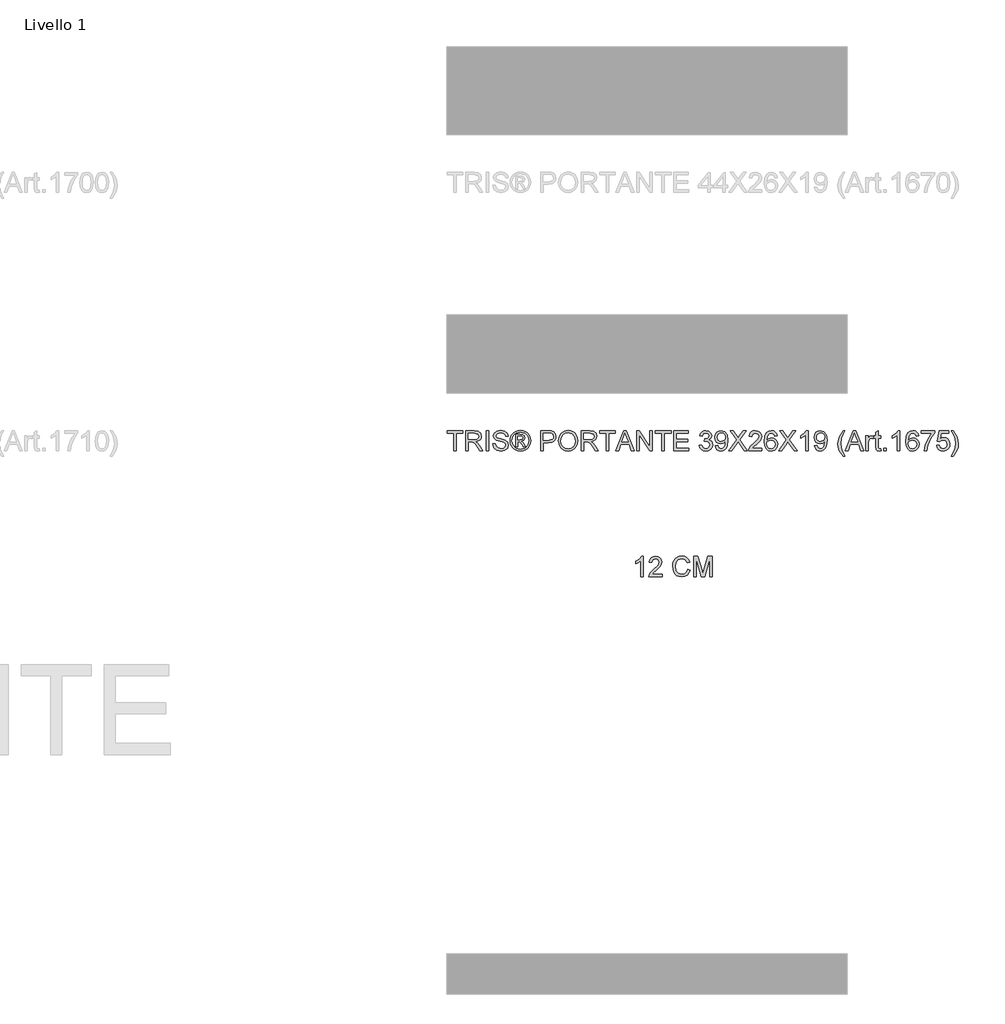
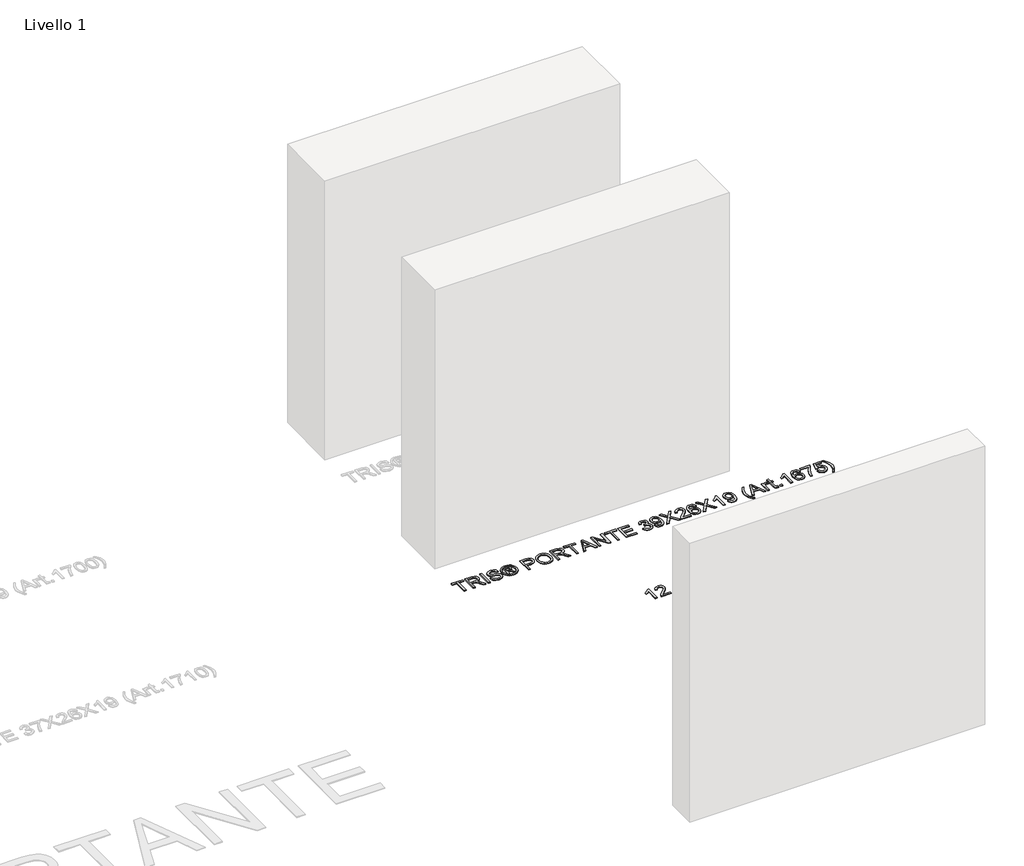
# One storey, part 10 of 19: 2 proxies.
"""IFC4 building model written with IfcOpenShell, lengths in millimetres."""

from ifc_helpers import new_model, si_unit, origin, origin_with_axes, place, context, project, spatial, polyline, outline, extrude, element, save

model = new_model("IFC4")

# Units and contexts
model_context = context("Model", 3, world=origin())
ifc_project = project(units=[si_unit("LENGTHUNIT", "METRE", prefix="MILLI")], contexts=[model_context])

# Site, building, storey
site = spatial("IfcSite", under=ifc_project)
building = spatial("IfcBuilding", under=site)
storey = spatial("IfcBuildingStorey", under=building, Name="Livello 1", Elevation=0.0)

# Proxies
placement = place(None, origin())
element("IfcBuildingElementProxy", 1, Name="100", ObjectType="100", at=placement, inside=storey, context=model_context, shape_type="SweptSolid", body=[
    extrude(outline(polyline([(3099.3895792, -56.1057849), (3099.3895792, 31.7934865), (3066.4273524, 31.7934865), (3066.4273524, 44.3505252), (3144.9088447, 44.3505252), (3144.9088447, 31.7934865), (3111.946618, 31.7934865), (3111.946618, -56.1057849), (3099.3895792, -56.1057849)])), origin_with_axes(), (0.0, 0.0, 1.0), 5.0),
    extrude(outline(polyline([(3159.0355134, -56.1057849), (3159.0355134, 44.3505252), (3202.3229615, 44.3505252), (3222.4215811, 41.6404612), (3233.40899, 32.0510039), (3237.5170057, 16.8574775), (3235.8155514, 6.9614518), (3230.7111888, -1.2423167), (3222.0506334, -7.2571873), (3209.6806014, -10.5865194), (3216.8175121, -15.9575965), (3226.9955806, -28.8825173), (3243.7464741, -56.1057849), (3229.1538216, -56.1057849), (3216.0817481, -35.283664), (3206.6394435, -21.5003519), (3200.0053049, -14.9888406), (3194.0333538, -12.5976076), (3186.7492903, -12.1561492), (3171.5925521, -12.1561492), (3171.5925521, -56.1057849), (3159.0355134, -56.1057849)]), holes=[polyline([(3171.5925521, 0.4008895), (3199.6987366, 0.4008895), (3214.0338716, 2.1789858), (3222.1763265, 7.868894), (3224.9599669, 16.3914936), (3219.6502034, 27.4524789), (3202.8625217, 31.7934865), (3171.5925521, 31.7934865), (3171.5925521, 0.4008895)])]), origin_with_axes(), (0.0, 0.0, 1.0), 5.0),
    extrude(outline(polyline([(3261.0614534, -56.1057849), (3261.0614534, 44.3505252), (3273.6184921, 44.3505252), (3273.6184921, -56.1057849), (3261.0614534, -56.1057849)])), origin_with_axes(), (0.0, 0.0, 1.0), 5.0),
    extrude(outline(polyline([(3294.0236801, -21.5739283), (3306.5807189, -21.5739283), (3310.6274208, -34.1432298), (3320.5111838, -42.0894809), (3335.5698201, -45.118376), (3348.6909446, -42.8252449), (3357.1644932, -36.5222), (3359.9481337, -28.0977024), (3357.863469, -20.2618159), (3349.3286067, -14.5596449), (3331.0448716, -9.7649163), (3311.3631848, -3.572236), (3300.6823442, 5.7719667), (3297.1629398, 18.255429), (3301.5162101, 32.4679368), (3314.2326644, 42.4988525), (3332.8474933, 45.9201551), (3352.7131211, 42.339437), (3365.9568729, 31.8180119), (3370.9355426, 16.097188), (3358.3785038, 16.097188), (3356.07311, 23.589718), (3351.2661186, 28.9975833), (3333.3380027, 33.3631163), (3315.3608358, 29.0466342), (3309.7199786, 18.623311), (3313.7176296, 9.9167705), (3334.2209195, 2.9024871), (3356.440992, -3.4005578), (3368.5933605, -13.5786263), (3372.5051724, -27.7788713), (3368.0047494, -42.8007194), (3355.0553031, -53.7636029), (3336.0603294, -57.6754148), (3313.6317905, -53.4570346), (3299.4438082, -40.752843), (3294.0236801, -21.5739283)])), origin_with_axes(), (0.0, 0.0, 1.0), 5.0),
    extrude(outline(polyline([(3408.6066589, -37.2702268), (3408.6066589, 25.5149671), (3428.8892196, 25.5149671), (3443.9478559, 23.7859217), (3451.3668095, 17.752657), (3454.1259244, 8.5923953), (3449.367984, -3.3269814), (3436.7618942, -9.0168895), (3441.6669875, -12.352353), (3450.2263753, -24.8848663), (3457.2651841, -37.2702268), (3446.6701827, -37.2702268), (3441.1519527, -27.3128874), (3431.9058519, -12.8919132), (3423.8860244, -10.5865194), (3418.024438, -10.5865194), (3418.024438, -37.2702268), (3408.6066589, -37.2702268)]), holes=[polyline([(3418.024438, -1.1687403), (3429.9438146, -1.1687403), (3441.5934111, 1.2224927), (3444.7081453, 7.5623257), (3443.2120919, 12.1240624), (3439.0550254, 15.1161693), (3429.1835251, 16.097188), (3418.024438, 16.097188), (3418.024438, -1.1687403)])]), origin_with_axes(), (0.0, 0.0, 1.0), 5.0),
    extrude(outline(polyline([(3432.175632, 45.9201551), (3445.069896, 44.246292), (3457.6575916, 39.2247028), (3468.7155112, 31.0883793), (3477.0204473, 20.0703135), (3482.2167804, 7.3477279), (3483.9488915, -5.9021553), (3482.2413059, -19.0355425), (3477.1185491, -31.653895), (3468.9147806, -42.6321069), (3457.9641599, -50.8450724), (3445.3550045, -55.9678292), (3432.175632, -57.6754148), (3419.0146537, -55.9678292), (3406.4116296, -50.8450724), (3395.4518119, -42.6321069), (3387.2204522, -31.653895), (3382.0701043, -19.0355425), (3380.3533217, -5.9021553), (3382.0946298, 7.3477279), (3387.3185541, 20.0703135), (3395.6510813, 31.0883793), (3406.718198, 39.2247028), (3419.2997622, 44.246292), (3432.175632, 45.9201551)]), holes=[polyline([(3432.175632, 36.502376), (3411.3535111, 31.0209343), (3402.3250738, 24.3592045), (3395.4977971, 15.3368985), (3389.7711007, -5.9021553), (3395.3874325, -26.9572682), (3411.1082565, -42.6413039), (3432.175632, -48.2576357), (3453.2552704, -42.6413039), (3468.9393061, -26.9572682), (3474.5311124, -5.9021553), (3468.8412042, 15.3368985), (3462.0323216, 24.3592045), (3452.9854902, 31.0209343), (3432.175632, 36.502376)])]), origin_with_axes(), (0.0, 0.0, 1.0), 5.0),
    extrude(outline(polyline([(3534.1770466, -56.1057849), (3534.1770466, 44.3505252), (3571.4067045, 44.3505252), (3586.4162899, 43.394032), (3598.6177094, 38.6974052), (3606.5271723, 28.9853206), (3609.5192792, 15.2878476), (3607.4989939, 3.4481787), (3601.438138, -6.4171901), (3590.1043069, -13.0758542), (3572.2650958, -15.2954089), (3546.7340853, -15.2954089), (3546.7340853, -56.1057849), (3534.1770466, -56.1057849)]), holes=[polyline([(3546.7340853, -2.7383702), (3573.0008598, -2.7383702), (3591.4930614, 1.8724175), (3595.5949457, 7.4213043), (3596.9622404, 14.8463892), (3593.7371416, 25.2451869), (3585.263593, 30.9350951), (3572.7065542, 31.7934865), (3546.7340853, 31.7934865), (3546.7340853, -2.7383702)])]), origin_with_axes(), (0.0, 0.0, 1.0), 5.0),
    extrude(outline(polyline([(3622.076318, -7.202005), (3625.4240441, 15.0119361), (3635.4672226, 31.8180119), (3650.8017704, 42.3946193), (3670.0236047, 45.9201551), (3683.1999115, 44.2646861), (3695.0150549, 39.2982792), (3704.8252414, 31.3704222), (3711.9866776, 20.830603), (3716.3644733, 8.1877251), (3717.8237386, -6.0493081), (3716.2878312, -20.4764137), (3711.6801092, -33.2971012), (3704.2550243, -43.8553145), (3694.2670281, -51.4949973), (3682.5530523, -56.1303104), (3669.9500283, -57.6754148), (3656.5713864, -55.9678292), (3644.6887979, -50.8450724), (3634.9031369, -42.7700626), (3627.8152771, -32.205718), (3622.076318, -7.202005)]), holes=[polyline([(3634.6333567, -7.3246324), (3637.1441513, -23.0393249), (3644.6765352, -35.0138839), (3655.9981036, -42.592253), (3669.8764519, -45.118376), (3683.9571352, -42.5677275), (3695.2970977, -34.915782), (3702.7742993, -22.5733411), (3705.2666998, -5.9512062), (3700.9992687, 14.7728128), (3688.528069, 28.4948112), (3670.0971811, 33.3631163), (3656.5897805, 31.0178686), (3645.1057309, 23.9821254), (3637.2514503, 11.4649405), (3634.6333567, -7.3246324)])]), origin_with_axes(), (0.0, 0.0, 1.0), 5.0),
    extrude(outline(polyline([(3735.0896669, -56.1057849), (3735.0896669, 44.3505252), (3778.377115, 44.3505252), (3798.4757346, 41.6404612), (3809.4631436, 32.0510039), (3813.5711592, 16.8574775), (3811.8697049, 6.9614518), (3806.7653423, -1.2423167), (3798.104787, -7.2571873), (3785.7347549, -10.5865194), (3792.8716656, -15.9575965), (3803.0497341, -28.8825173), (3819.8006276, -56.1057849), (3805.2079752, -56.1057849), (3792.1359016, -35.283664), (3782.693597, -21.5003519), (3776.0594584, -14.9888406), (3770.0875073, -12.5976076), (3762.8034438, -12.1561492), (3747.6467056, -12.1561492), (3747.6467056, -56.1057849), (3735.0896669, -56.1057849)]), holes=[polyline([(3747.6467056, 0.4008895), (3775.7528901, 0.4008895), (3790.0880251, 2.1789858), (3798.23048, 7.868894), (3801.0141204, 16.3914936), (3795.7043569, 27.4524789), (3778.9166752, 31.7934865), (3747.6467056, 31.7934865), (3747.6467056, 0.4008895)])]), origin_with_axes(), (0.0, 0.0, 1.0), 5.0),
    extrude(outline(polyline([(3860.6600546, -56.1057849), (3860.6600546, 31.7934865), (3827.6978278, 31.7934865), (3827.6978278, 44.3505252), (3906.1793201, 44.3505252), (3906.1793201, 31.7934865), (3873.2170933, 31.7934865), (3873.2170933, -56.1057849), (3860.6600546, -56.1057849)])), origin_with_axes(), (0.0, 0.0, 1.0), 5.0),
    extrude(outline(polyline([(3908.6073413, -56.1057849), (3948.7064787, 44.3505252), (3959.3995821, 44.3505252), (3999.4987195, -56.1057849), (3986.2304422, -56.1057849), (3974.7279985, -24.713188), (3933.3535368, -24.713188), (3921.8756186, -56.1057849), (3908.6073413, -56.1057849)]), holes=[polyline([(3937.9643245, -12.1561492), (3970.1417363, -12.1561492), (3961.0918392, 12.5409954), (3954.0530304, 31.7934865), (3947.7990365, 14.6992364), (3937.9643245, -12.1561492)])]), origin_with_axes(), (0.0, 0.0, 1.0), 5.0),
    extrude(outline(polyline([(4012.9141496, -56.1057849), (4012.9141496, 44.3505252), (4026.3541052, 44.3505252), (4078.8386032, -35.2346131), (4078.8386032, 44.3505252), (4091.3956419, 44.3505252), (4091.3956419, -56.1057849), (4077.9556864, -56.1057849), (4025.4711884, 23.5038788), (4025.4711884, -56.1057849), (4012.9141496, -56.1057849)])), origin_with_axes(), (0.0, 0.0, 1.0), 5.0),
    extrude(outline(polyline([(4138.4845373, -56.1057849), (4138.4845373, 31.7934865), (4105.5223105, 31.7934865), (4105.5223105, 44.3505252), (4184.0038029, 44.3505252), (4184.0038029, 31.7934865), (4151.0415761, 31.7934865), (4151.0415761, -56.1057849), (4138.4845373, -56.1057849)])), origin_with_axes(), (0.0, 0.0, 1.0), 5.0),
    extrude(outline(polyline([(4198.1304715, -56.1057849), (4198.1304715, 44.3505252), (4270.3334444, 44.3505252), (4270.3334444, 31.7934865), (4210.6875102, 31.7934865), (4210.6875102, 1.9705194), (4267.1941847, 1.9705194), (4267.1941847, -10.5865194), (4210.6875102, -10.5865194), (4210.6875102, -43.5487462), (4271.9030742, -43.5487462), (4271.9030742, -56.1057849), (4198.1304715, -56.1057849)])), origin_with_axes(), (0.0, 0.0, 1.0), 5.0),
    extrude(outline(polyline([(4325.270489, -29.4220775), (4337.8275278, -27.8524477), (4344.755972, -41.0716741), (4357.717681, -45.118376), (4366.3261197, -43.7265558), (4372.972521, -39.5510951), (4378.6379038, -25.7677831), (4373.021572, -12.7815486), (4358.7477506, -7.6434634), (4349.9431081, -9.0168895), (4351.3410597, 3.5401492), (4353.352148, 3.3929964), (4367.6014439, 6.99824), (4372.3471216, 11.5722395), (4373.9290142, 18.0837508), (4369.342752, 27.9062), (4357.5214772, 31.7934865), (4345.5530497, 27.8694118), (4339.3971576, 16.097188), (4326.8401188, 17.6668178), (4330.5373329, 28.942401), (4337.1162892, 37.3607673), (4346.1171354, 42.6030857), (4357.0800188, 44.3505252), (4372.2244943, 40.9046972), (4382.8194958, 31.4869181), (4386.486053, 18.8195148), (4383.0034368, 7.2434946), (4372.7027409, -1.0706384), (4386.3879511, -9.6545517), (4391.1949425, -25.9885123), (4388.7914468, -38.22672), (4381.5809597, -48.4538394), (4370.697784, -55.3700209), (4357.2762226, -57.6754148), (4345.1361167, -55.7072461), (4335.2523538, -49.8027401), (4328.3790919, -40.7712371), (4325.270489, -29.4220775)])), origin_with_axes(), (0.0, 0.0, 1.0), 5.0),
    extrude(outline(polyline([(4403.7519813, -30.9917074), (4416.3090201, -29.4220775), (4421.9498773, -41.4027679), (4432.6429807, -45.118376), (4442.8087865, -42.727143), (4449.7004425, -36.3382591), (4453.8084581, -25.4244265), (4455.6233426, -10.8562995), (4455.5497662, -8.4037529), (4445.5065878, -17.9196338), (4431.7355384, -21.5739283), (4420.2852113, -19.3421109), (4410.7540019, -12.6466586), (4404.3252641, -2.3030431), (4402.1823515, 10.8732637), (4404.4294973, 24.4848975), (4411.1709349, 35.1534753), (4421.2968868, 42.0512628), (4433.6975757, 44.3505252), (4451.5889034, 39.1020754), (4463.9006875, 24.141541), (4468.106805, -3.9646435), (4463.9129502, -34.4620609), (4458.698223, -44.4531227), (4451.4417506, -51.7402519), (4442.4562329, -56.1916241), (4432.0543695, -57.6754148), (4421.3183466, -55.9249096), (4412.7528275, -50.6733941), (4406.7624823, -42.2519621), (4403.7519813, -30.9917074)]), holes=[polyline([(4455.5497662, 11.1675693), (4454.1947342, 19.6779061), (4450.1296382, 26.2262056), (4443.8204619, 30.4016662), (4435.7331894, 31.7934865), (4427.3454799, 30.2943673), (4420.6255021, 25.7970099), (4416.2109182, 18.9145509), (4414.7393902, 10.260127), (4416.1312104, 2.5008826), (4420.3066711, -3.6580751), (4426.861102, -7.6771859), (4435.3898329, -9.0168895), (4449.8721208, -3.6580751), (4454.1303549, 2.7277432), (4455.5497662, 11.1675693)])]), origin_with_axes(), (0.0, 0.0, 1.0), 5.0),
    extrude(outline(polyline([(4472.8156945, -56.1057849), (4511.5414059, -1.364944), (4479.0942139, 44.3505252), (4494.1528503, 44.3505252), (4512.4243227, 18.623311), (4518.5802147, 8.5923953), (4525.7907018, 18.7949893), (4543.8659705, 44.3505252), (4559.1453361, 44.3505252), (4526.6981441, -1.5120968), (4565.4238555, -56.1057849), (4550.3652191, -56.1057849), (4524.5644285, -19.7099929), (4519.1933514, -12.1561492), (4513.282714, -20.4457569), (4488.0950601, -56.1057849), (4472.8156945, -56.1057849)])), origin_with_axes(), (0.0, 0.0, 1.0), 5.0),
    extrude(outline(polyline([(4637.6268284, -43.5487462), (4637.6268284, -56.1057849), (4571.7023748, -56.1057849), (4573.0512755, -47.4482953), (4580.6786955, -34.1187043), (4596.3995194, -19.5628401), (4618.0800317, 1.3573827), (4623.5001598, 15.5821532), (4618.3866, 27.0968597), (4605.0324836, 31.7934865), (4591.1142814, 27.2072242), (4585.8290435, 14.5275581), (4573.2720047, 16.097188), (4576.3162282, 28.2434252), (4582.8982502, 37.1155127), (4592.6747142, 42.5417721), (4605.3022637, 44.3505252), (4618.0217837, 42.339437), (4627.7798536, 36.3061723), (4633.9878623, 27.2930634), (4636.0571985, 16.3424427), (4633.8253811, 4.4353287), (4626.4064275, -7.8764554), (4608.416998, -25.08107), (4593.9714983, -37.1598622), (4588.3061156, -43.5487462), (4637.6268284, -43.5487462)])), origin_with_axes(), (0.0, 0.0, 1.0), 5.0),
    extrude(outline(polyline([(4714.5386908, 17.6668178), (4701.9816521, 16.097188), (4697.2237116, 26.5695621), (4684.6421474, 31.7934865), (4673.3113819, 28.7523286), (4664.7397314, 17.335724), (4661.1712761, -5.043764), (4672.2445241, 4.974889), (4685.9665225, 8.2490388), (4697.5670681, 6.01109), (4707.3036783, -0.7027565), (4713.9071601, -10.9605328), (4716.1083207, -23.8302712), (4711.9635169, -41.1575132), (4700.559175, -53.4202464), (4684.1025871, -57.6754148), (4669.8563568, -54.8549861), (4658.510263, -46.3937003), (4651.0882437, -31.4576912), (4648.6142373, -9.2130933), (4651.3610895, 15.796751), (4659.6016462, 32.8971324), (4670.8527039, 41.487177), (4685.4269623, 44.3505252), (4696.445028, 42.5785603), (4705.2680646, 37.2626655), (4711.4484821, 28.8197737), (4714.5386908, 17.6668178)]), holes=[polyline([(4661.1712761, -23.6340675), (4664.0775438, -34.5111118), (4671.8030657, -42.408312), (4683.1215684, -45.118376), (4691.4081104, -43.7142931), (4697.9226874, -39.5020442), (4702.1441333, -32.8801683), (4703.5512819, -24.2472041), (4702.1625274, -15.9606622), (4697.9962638, -9.6422889), (4691.3713222, -5.6415722), (4682.6065336, -4.308), (4667.4130072, -9.6422889), (4662.7317089, -15.807378), (4661.1712761, -23.6340675)])]), origin_with_axes(), (0.0, 0.0, 1.0), 5.0),
    extrude(outline(polyline([(4720.8172102, -56.1057849), (4759.5429216, -1.364944), (4727.0957296, 44.3505252), (4742.1543659, 44.3505252), (4760.4258384, 18.623311), (4766.5817304, 8.5923953), (4773.7922175, 18.7949893), (4791.8674862, 44.3505252), (4807.1468517, 44.3505252), (4774.6996598, -1.5120968), (4813.4253711, -56.1057849), (4798.3667348, -56.1057849), (4772.5659442, -19.7099929), (4767.1948671, -12.1561492), (4761.2842297, -20.4457569), (4736.0965757, -56.1057849), (4720.8172102, -56.1057849)])), origin_with_axes(), (0.0, 0.0, 1.0), 5.0),
    extrude(outline(polyline([(4868.3624157, -56.1057849), (4855.805377, -56.1057849), (4855.805377, 22.1795036), (4843.9105258, 13.705955), (4830.6912994, 7.366122), (4830.6912994, 19.2364477), (4849.0976619, 30.9841461), (4860.2690119, 44.3505252), (4868.3624157, 44.3505252), (4868.3624157, -56.1057849)])), origin_with_axes(), (0.0, 0.0, 1.0), 5.0),
    extrude(outline(polyline([(4899.7550127, -30.9917074), (4912.3120514, -29.4220775), (4917.9529087, -41.4027679), (4928.646012, -45.118376), (4938.8118178, -42.727143), (4945.7034739, -36.3382591), (4949.8114895, -25.4244265), (4951.626374, -10.8562995), (4951.5527976, -8.4037529), (4941.5096191, -17.9196338), (4927.7385698, -21.5739283), (4916.2882427, -19.3421109), (4906.7570333, -12.6466586), (4900.3282954, -2.3030431), (4898.1853828, 10.8732637), (4900.4325287, 24.4848975), (4907.1739662, 35.1534753), (4917.2999182, 42.0512628), (4929.7006071, 44.3505252), (4947.5919348, 39.1020754), (4959.9037189, 24.141541), (4964.1098364, -3.9646435), (4959.9159816, -34.4620609), (4954.7012543, -44.4531227), (4947.444782, -51.7402519), (4938.4592642, -56.1916241), (4928.0574008, -57.6754148), (4917.3213779, -55.9249096), (4908.7558588, -50.6733941), (4902.7655137, -42.2519621), (4899.7550127, -30.9917074)]), holes=[polyline([(4951.5527976, 11.1675693), (4950.1977656, 19.6779061), (4946.1326695, 26.2262056), (4939.8234933, 30.4016662), (4931.7362208, 31.7934865), (4923.3485113, 30.2943673), (4916.6285335, 25.7970099), (4912.2139496, 18.9145509), (4910.7424216, 10.260127), (4912.1342418, 2.5008826), (4916.3097025, -3.6580751), (4922.8641333, -7.6771859), (4931.3928643, -9.0168895), (4945.8751521, -3.6580751), (4950.1333862, 2.7277432), (4951.5527976, 11.1675693)])]), origin_with_axes(), (0.0, 0.0, 1.0), 5.0),
    extrude(outline(polyline([(5042.5913287, -84.3591222), (5024.7613146, -54.9040371), (5019.298267, -37.7239479), (5017.4772511, -19.9307221), (5022.9219047, 10.6034835), (5042.5913287, 44.3505252), (5052.0091077, 44.3505252), (5040.2614094, 24.460372), (5033.1980751, 5.1833555), (5030.0342899, -20.0042985), (5035.5279944, -52.193973), (5052.0091077, -84.3591222), (5042.5913287, -84.3591222)])), origin_with_axes(), (0.0, 0.0, 1.0), 5.0),
    extrude(outline(polyline([(5054.4371289, -56.1057849), (5094.5362664, 44.3505252), (5105.2293697, 44.3505252), (5145.3285072, -56.1057849), (5132.0602299, -56.1057849), (5120.5577862, -24.713188), (5079.1833244, -24.713188), (5067.7054062, -56.1057849), (5054.4371289, -56.1057849)]), holes=[polyline([(5083.7941121, -12.1561492), (5115.971524, -12.1561492), (5106.9216269, 12.5409954), (5099.882818, 31.7934865), (5093.6288241, 14.6992364), (5083.7941121, -12.1561492)])]), origin_with_axes(), (0.0, 0.0, 1.0), 5.0),
    extrude(outline(polyline([(5157.1743074, -56.1057849), (5157.1743074, 17.6668178), (5168.1617163, 17.6668178), (5168.1617163, 6.7529853), (5175.9608146, 16.8084265), (5183.8089639, 19.2364477), (5196.4150536, 15.361424), (5192.2211988, 4.104235), (5183.3920309, 6.6794089), (5176.2919084, 4.2023368), (5171.7669599, -2.6647938), (5169.7313462, -17.3310226), (5169.7313462, -56.1057849), (5157.1743074, -56.1057849)])), origin_with_axes(), (0.0, 0.0, 1.0), 5.0),
    extrude(outline(polyline([(5230.9469102, -45.6334108), (5232.51654, -56.4736669), (5223.1232864, -57.6754148), (5212.6018614, -55.5907501), (5207.3534116, -50.1215711), (5205.8328327, -35.8722752), (5205.8328327, 5.1097791), (5196.4150536, 5.1097791), (5196.4150536, 17.6668178), (5205.8328327, 17.6668178), (5205.8328327, 35.5949337), (5218.3898714, 42.9770991), (5218.3898714, 17.6668178), (5230.9469102, 17.6668178), (5230.9469102, 5.1097791), (5218.3898714, 5.1097791), (5218.3898714, -35.5043932), (5219.052059, -41.9791163), (5221.1980373, -44.2722474), (5225.4777312, -45.118376), (5230.9469102, -45.6334108)])), origin_with_axes(), (0.0, 0.0, 1.0), 5.0),
    extrude(outline(polyline([(5246.6432087, -56.1057849), (5246.6432087, -43.5487462), (5259.2002474, -43.5487462), (5259.2002474, -56.1057849), (5246.6432087, -56.1057849)])), origin_with_axes(), (0.0, 0.0, 1.0), 5.0),
    extrude(outline(polyline([(5326.6943308, -56.1057849), (5314.137292, -56.1057849), (5314.137292, 22.1795036), (5302.2424409, 13.705955), (5289.0232145, 7.366122), (5289.0232145, 19.2364477), (5307.429577, 30.9841461), (5318.6009269, 44.3505252), (5326.6943308, 44.3505252), (5326.6943308, -56.1057849)])), origin_with_axes(), (0.0, 0.0, 1.0), 5.0),
    extrude(outline(polyline([(5420.8721216, 17.6668178), (5408.3150828, 16.097188), (5403.5571423, 26.5695621), (5390.9755781, 31.7934865), (5379.6448126, 28.7523286), (5371.0731622, 17.335724), (5367.5047068, -5.043764), (5378.5779549, 4.974889), (5392.2999533, 8.2490388), (5403.9004989, 6.01109), (5413.637109, -0.7027565), (5420.2405908, -10.9605328), (5422.4417514, -23.8302712), (5418.2969476, -41.1575132), (5406.8926058, -53.4202464), (5390.4360178, -57.6754148), (5376.1897876, -54.8549861), (5364.8436937, -46.3937003), (5357.4216745, -31.4576912), (5354.947668, -9.2130933), (5357.6945203, 15.796751), (5365.935077, 32.8971324), (5377.1861346, 41.487177), (5391.760393, 44.3505252), (5402.7784588, 42.5785603), (5411.6014953, 37.2626655), (5417.7819128, 28.8197737), (5420.8721216, 17.6668178)]), holes=[polyline([(5367.5047068, -23.6340675), (5370.4109746, -34.5111118), (5378.1364965, -42.408312), (5389.4549992, -45.118376), (5397.7415411, -43.7142931), (5404.2561181, -39.5020442), (5408.477564, -32.8801683), (5409.8847126, -24.2472041), (5408.4959581, -15.9606622), (5404.3296945, -9.6422889), (5397.7047529, -5.6415722), (5388.9399644, -4.308), (5373.746438, -9.6422889), (5369.0651396, -15.807378), (5367.5047068, -23.6340675)])]), origin_with_axes(), (0.0, 0.0, 1.0), 5.0),
    extrude(outline(polyline([(5433.4291603, 30.2238566), (5433.4291603, 42.7808954), (5499.3536139, 42.7808954), (5499.3536139, 32.6273523), (5480.6529458, 5.6125511), (5466.3423362, -28.8089409), (5461.6824976, -56.1057849), (5449.1254588, -56.1057849), (5454.1163912, -27.7788713), (5467.8138642, 4.239125), (5486.7965751, 30.2238566), (5433.4291603, 30.2238566)])), origin_with_axes(), (0.0, 0.0, 1.0), 5.0),
    extrude(outline(polyline([(5510.3410228, -29.4220775), (5522.8980616, -27.8524477), (5529.2256319, -40.7896312), (5542.3467564, -45.118376), (5551.3476025, -43.6131255), (5558.0921058, -39.097374), (5562.3043546, -32.0922877), (5563.7084376, -23.1190327), (5558.447725, -8.2075492), (5551.8411775, -4.1056649), (5542.5429601, -2.7383702), (5531.518763, -4.9211367), (5524.4676914, -10.5865194), (5511.9106526, -9.0168895), (5522.8980616, 42.7808954), (5571.5565868, 42.7808954), (5571.5565868, 30.2238566), (5533.0516046, 30.2238566), (5527.6805275, 2.5591306), (5536.6507168, 8.0037841), (5546.0501018, 9.8186686), (5557.7824718, 7.5684571), (5567.5221476, 0.8178225), (5574.0796441, -9.4706107), (5576.2654763, -22.3342178), (5574.2973077, -34.8912565), (5568.3928016, -45.6334108), (5557.0865616, -54.6649138), (5542.2977054, -57.6754148), (5529.9644616, -55.7409686), (5520.1389466, -49.9376301), (5513.4036404, -40.9398497), (5510.3410228, -29.4220775)])), origin_with_axes(), (0.0, 0.0, 1.0), 5.0),
    extrude(outline(polyline([(5593.5314046, -84.3591222), (5584.1136256, -84.3591222), (5600.5947389, -52.193973), (5606.0884434, -20.0042985), (5602.9246582, 4.9626263), (5595.9349003, 24.2641683), (5584.1136256, 44.3505252), (5593.5314046, 44.3505252), (5613.2008286, 10.6034835), (5618.6454822, -19.9307221), (5616.8152693, -37.7239479), (5611.3246305, -54.9040371), (5593.5314046, -84.3591222)])), origin_with_axes(), (0.0, 0.0, 1.0), 5.0),
])
element("IfcBuildingElementProxy", 2, Name="100", ObjectType="100", at=placement, inside=storey, context=model_context, shape_type="SweptSolid", body=[
    extrude(outline(polyline([(4045.4246884, -683.9348646), (4032.8676497, -683.9348646), (4032.8676497, -605.649576), (4020.9727985, -614.1231247), (4007.7535721, -620.4629577), (4007.7535721, -608.592632), (4026.1599346, -596.8449336), (4037.3312845, -583.4785545), (4045.4246884, -583.4785545), (4045.4246884, -683.9348646)])), origin_with_axes(), (0.0, 0.0, 1.0), 5.0),
    extrude(outline(polyline([(4139.6024792, -671.3778258), (4139.6024792, -683.9348646), (4073.6780257, -683.9348646), (4075.0269263, -675.277375), (4082.6543463, -661.947784), (4098.3751703, -647.3919198), (4120.0556825, -626.471697), (4125.4758106, -612.2469265), (4120.3622509, -600.73222), (4107.0081344, -596.0355932), (4093.0899323, -600.6218554), (4087.8046943, -613.3015215), (4075.2476555, -611.7318917), (4078.291879, -599.5856545), (4084.8739011, -590.713567), (4094.6503651, -585.2873076), (4107.2779146, -583.4785545), (4119.9974345, -585.4896427), (4129.7555045, -591.5229074), (4135.9635131, -600.5360163), (4138.0328494, -611.486637), (4135.8010319, -623.3937509), (4128.3820783, -635.705535), (4110.3926488, -652.9101497), (4095.9471491, -664.9889419), (4090.2817664, -671.3778258), (4139.6024792, -671.3778258)])), origin_with_axes(), (0.0, 0.0, 1.0), 5.0),
    extrude(outline(polyline([(4266.7424967, -648.2257856), (4279.2995355, -651.4631472), (4273.5053941, -666.0956535), (4264.4125774, -676.7856912), (4252.4686753, -683.3247936), (4238.1212775, -685.5044945), (4223.5562162, -683.8551568), (4211.9893931, -678.907144), (4203.123437, -670.8321342), (4196.6609767, -659.8018057), (4191.4002641, -632.9464201), (4192.8871205, -618.2985853), (4197.3476897, -605.649576), (4204.5489798, -595.4009968), (4214.2579988, -587.9544521), (4225.7727052, -583.4203065), (4238.3910576, -581.9089246), (4252.1590413, -583.8648306), (4263.5419234, -589.7325484), (4272.1840846, -599.1503275), (4277.7299057, -611.7564172), (4265.1728669, -614.7485241), (4254.872171, -599.309743), (4237.9005483, -594.4659634), (4218.2556498, -599.8370405), (4207.1578762, -614.2580147), (4203.9573029, -632.9218946), (4207.7464874, -654.5533559), (4219.5432368, -668.3734562), (4236.8704787, -672.9474557), (4247.3520499, -671.3900886), (4256.0861816, -666.7179872), (4262.6804664, -658.9802026), (4266.7424967, -648.2257856)])), origin_with_axes(), (0.0, 0.0, 1.0), 5.0),
    extrude(outline(polyline([(4296.5654638, -683.9348646), (4296.5654638, -583.4785545), (4318.1723997, -583.4785545), (4338.7247405, -654.2835758), (4342.8695443, -669.072432), (4347.3577046, -653.0573025), (4367.5666889, -583.4785545), (4389.1736247, -583.4785545), (4389.1736247, -683.9348646), (4376.616586, -683.9348646), (4376.616586, -596.0355932), (4351.3798811, -683.9348646), (4334.3592074, -683.9348646), (4309.1225026, -596.0355932), (4309.1225026, -683.9348646), (4296.5654638, -683.9348646)])), origin_with_axes(), (0.0, 0.0, 1.0), 5.0),
])

save(model, "model.ifc")
